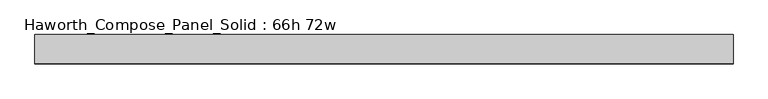
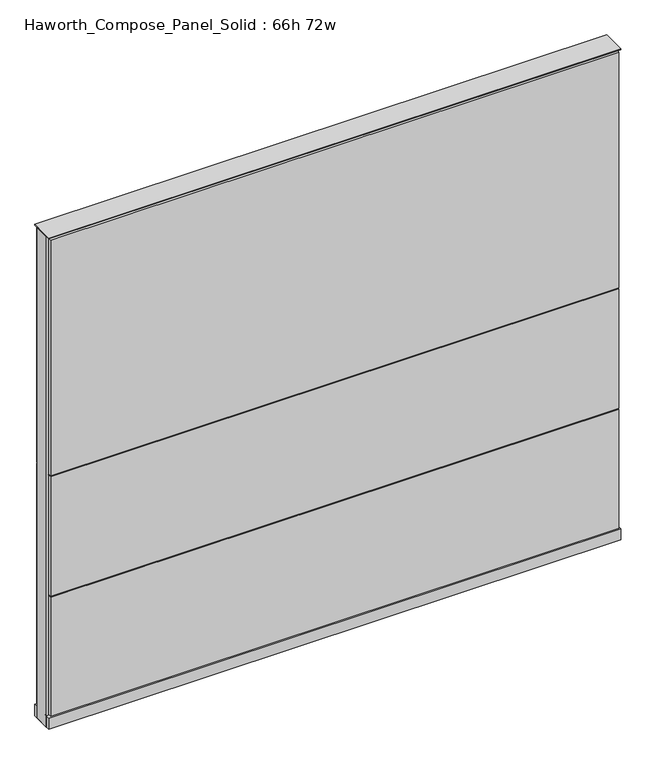
"""IFC4 building model written with IfcOpenShell, lengths in millimetres: furniture geometry, Haworth_Compose_Panel_Solid : 66h 72w."""

import ifcopenshell
import ifcopenshell.guid

model = None  # the IFC model being written
_history = None  # IfcOwnerHistory: only IFC2X3 demands one
_inside = {}  # id of a spatial element -> (the spatial element, [elements in it])
_under = {}  # id of a project, library or spatial element -> (it, [spatial elements below it])
_declared = {}  # id of a project -> (the project, [libraries it declares])
_typed = {}  # id of a type object -> (the type object, [elements of that type])
_made_of = {}  # id of a material, layer set ... -> (it, [elements and type objects made of it])


def new_model(schema):
    """Start an empty IFC model of exactly this schema.

    Asked for "IFC4X3", IfcOpenShell would pick the latest addendum, in which some entities
    have other attributes; the version numbers below select the first issue.
    IFC2X3 requires an IfcOwnerHistory on every rooted entity: one is made here for all.
    """
    global model, _history
    if schema == "IFC4X3":
        model = ifcopenshell.file(schema_version=(4, 3, 0, 0))
    else:
        model = ifcopenshell.file(schema=schema)
    _inside.clear()
    _under.clear()
    _declared.clear()
    _typed.clear()
    _made_of.clear()
    _history = None
    if model.schema == "IFC2X3":
        org = make("IfcOrganization", Name="unknown")
        user = make(
            "IfcPersonAndOrganization",
            ThePerson=make("IfcPerson", FamilyName="unknown"),
            TheOrganization=org,
        )
        app = make(
            "IfcApplication",
            ApplicationDeveloper=org,
            Version="unknown",
            ApplicationFullName="unknown",
            ApplicationIdentifier="unknown",
        )
        _history = make(
            "IfcOwnerHistory",
            OwningUser=user,
            OwningApplication=app,
            ChangeAction="ADDED",
            CreationDate=0,
        )
    return model


def make(cls, **values):
    """One entity of the class cls with the attributes given. An attribute that is None is left unset."""
    return model.create_entity(
        cls, **{name: value for name, value in values.items() if value is not None}
    )


def rooted(cls, **values):
    """An entity with a GlobalId (a new one), such as an element, a storey or a relation."""
    return make(cls, GlobalId=ifcopenshell.guid.new(), OwnerHistory=_history, **values)


def si_unit(unit_type, name, prefix=None):
    """IfcSIUnit, for example si_unit("LENGTHUNIT", "METRE", prefix="MILLI")."""
    return make("IfcSIUnit", UnitType=unit_type, Prefix=prefix, Name=name)


def assignment(units):
    """IfcUnitAssignment: the units of a project."""
    return None if units is None else make("IfcUnitAssignment", Units=units)


def point(xyz):
    """IfcCartesianPoint."""
    return None if xyz is None else make("IfcCartesianPoint", Coordinates=xyz)


def direction(xyz):
    """IfcDirection."""
    return None if xyz is None else make("IfcDirection", DirectionRatios=xyz)


def frame(location, z_axis=None, x_axis=None):
    """IfcAxis2Placement3D, a coordinate frame: its origin and axes. An axis left out is left unset."""
    return make(
        "IfcAxis2Placement3D",
        Location=point(location),
        Axis=direction(z_axis),
        RefDirection=direction(x_axis),
    )


def frame_2d(location, x_axis=None):
    """IfcAxis2Placement2D, a coordinate frame in the plane: its origin and x axis."""
    return make(
        "IfcAxis2Placement2D", Location=point(location), RefDirection=direction(x_axis)
    )


def origin():
    """The frame at (0, 0, 0) with its axes left unset."""
    return frame((0.0, 0.0, 0.0))


def origin_with_axes():
    """The frame at (0, 0, 0) with the z axis (0, 0, 1) and the x axis (1, 0, 0) written out."""
    return frame((0.0, 0.0, 0.0), z_axis=(0.0, 0.0, 1.0), x_axis=(1.0, 0.0, 0.0))


def place(relative_to, where):
    """IfcLocalPlacement: puts the frame where relative to a parent placement (None: the world)."""
    return make(
        "IfcLocalPlacement", PlacementRelTo=relative_to, RelativePlacement=where
    )


def context(
    kind, dimensions, precision=None, world=None, true_north=None, identifier=None
):
    """IfcGeometricRepresentationContext, for example the 3D "Model" context."""
    return make(
        "IfcGeometricRepresentationContext",
        ContextIdentifier=identifier,
        ContextType=kind,
        CoordinateSpaceDimension=dimensions,
        Precision=precision,
        WorldCoordinateSystem=world,
        TrueNorth=true_north,
    )


def project(units=None, contexts=None):
    """IfcProject with its units and contexts."""
    return rooted(
        "IfcProject",
        Name="project",
        RepresentationContexts=contexts,
        UnitsInContext=assignment(units),
    )


def spatial(cls, under=None, at=None, **own):
    """A site, building, storey or space (cls), placed at a placement, below another one or the project."""
    s = rooted(cls, ObjectPlacement=at, **own)
    if under is not None:
        _under.setdefault(under.id(), (under, []))[1].append(s)
    return s


def polyline(points):
    """IfcPolyline through the points."""
    return make("IfcPolyline", Points=[point(p) for p in points])


def circle_curve(where, radius):
    """IfcCircle in the frame where."""
    return make("IfcCircle", Position=where, Radius=radius)


def trimmed(basis, trim1, trim2, sense, master):
    """IfcTrimmedCurve: the piece of a basis curve between two trims."""
    return make(
        "IfcTrimmedCurve",
        BasisCurve=basis,
        Trim1=trim1,
        Trim2=trim2,
        SenseAgreement=sense,
        MasterRepresentation=master,
    )


def segment(curve, same_sense, transition):
    """IfcCompositeCurveSegment."""
    return make(
        "IfcCompositeCurveSegment",
        Transition=transition,
        SameSense=same_sense,
        ParentCurve=curve,
    )


def composite_curve(segments, self_intersect=None):
    """IfcCompositeCurve: segments joined end to end."""
    return make("IfcCompositeCurve", Segments=segments, SelfIntersect=self_intersect)


def outline(outer, holes=None, kind="AREA"):
    """IfcArbitraryClosedProfileDef: a profile drawn as a closed curve; with holes, ...WithVoids."""
    if holes is None:
        return make("IfcArbitraryClosedProfileDef", ProfileType=kind, OuterCurve=outer)
    return make(
        "IfcArbitraryProfileDefWithVoids",
        ProfileType=kind,
        OuterCurve=outer,
        InnerCurves=holes,
    )


def extrude(swept, where, along, depth):
    """IfcExtrudedAreaSolid: the profile swept, set in the frame where, extruded along a direction by depth."""
    return make(
        "IfcExtrudedAreaSolid",
        SweptArea=swept,
        Position=where,
        ExtrudedDirection=direction(along),
        Depth=depth,
    )


def shape(context_of_items, identifier, shape_type, items):
    """IfcShapeRepresentation: the items that make up one representation, for example the "Body"."""
    return make(
        "IfcShapeRepresentation",
        ContextOfItems=context_of_items,
        RepresentationIdentifier=identifier,
        RepresentationType=shape_type,
        Items=items,
    )


def source(mapping_origin, context_of_items, identifier, shape_type, items):
    """IfcRepresentationMap: a shape defined once, which mapped items show again and again."""
    return make(
        "IfcRepresentationMap",
        MappingOrigin=mapping_origin,
        MappedRepresentation=shape(context_of_items, identifier, shape_type, items),
    )


def transform(
    local_origin,
    x_axis=None,
    y_axis=None,
    z_axis=None,
    scale=None,
    scale2=None,
    scale3=None,
    uniform=True,
):
    """IfcCartesianTransformationOperator3D, or its non-uniform kind. x_axis, y_axis, z_axis: its Axis1, 2, 3."""
    if uniform:
        return make(
            "IfcCartesianTransformationOperator3D",
            Axis1=direction(x_axis),
            Axis2=direction(y_axis),
            LocalOrigin=point(local_origin),
            Scale=scale,
            Axis3=direction(z_axis),
        )
    return make(
        "IfcCartesianTransformationOperator3DnonUniform",
        Axis1=direction(x_axis),
        Axis2=direction(y_axis),
        LocalOrigin=point(local_origin),
        Scale=scale,
        Axis3=direction(z_axis),
        Scale2=scale2,
        Scale3=scale3,
    )


def mapped(mapping_source, mapping_target):
    """IfcMappedItem: shows the shape of a source again, moved by a transform."""
    return make(
        "IfcMappedItem", MappingSource=mapping_source, MappingTarget=mapping_target
    )


def made_of(thing, what):
    """Note that an element or type object is made of a material, layer set ...; save() writes the relation."""
    if what is not None:
        _made_of.setdefault(what.id(), (what, []))[1].append(thing)
    return thing


def element(
    cls,
    number,
    at=None,
    inside=None,
    cuts=None,
    type_object=None,
    material=None,
    context=None,
    identifier="Body",
    shape_type=None,
    held_by="IfcProductDefinitionShape",
    body=None,
    shapes=None,
    **own,
):
    """One element of the class cls, such as IfcWall. Its Tag is "e" and its number.

    at: its placement. inside: the storey or other place that contains it. cuts: it is an
    opening in that element (IfcRelVoidsElement). A single representation is given by context,
    identifier, shape_type and body (its items); several are given by shapes. held_by: the class
    of the entity that holds the representations. save() writes the other relations.
    """
    e = rooted(cls, Tag="e%d" % number, ObjectPlacement=at, **own)
    if body is not None:
        shapes = [shape(context, identifier, shape_type, body)]
    if shapes is not None:
        e.Representation = make(held_by, Representations=shapes)
    if inside is not None:
        _inside.setdefault(inside.id(), (inside, []))[1].append(e)
    if cuts is not None:
        rooted(
            "IfcRelVoidsElement", RelatingBuildingElement=cuts, RelatedOpeningElement=e
        )
    if type_object is not None:
        _typed.setdefault(type_object.id(), (type_object, []))[1].append(e)
    return made_of(e, material)


def aggregate(whole, parts):
    """IfcRelAggregates: a whole, such as a stair, and the parts it consists of."""
    return rooted("IfcRelAggregates", RelatingObject=whole, RelatedObjects=parts)


def save(model, path):
    """Write the relations noted so far, then the file.

    IfcRelAggregates (storeys below a building ...), IfcRelContainedInSpatialStructure (elements
    in a storey), IfcRelDefinesByType, IfcRelAssociatesMaterial and IfcRelDeclares: one each for
    every whole, place, type object, material and project.
    """
    for whole, parts in _under.values():
        aggregate(whole, parts)
    for where, things in _inside.values():
        rooted(
            "IfcRelContainedInSpatialStructure",
            RelatedElements=things,
            RelatingStructure=where,
        )
    for kind, things in _typed.values():
        rooted("IfcRelDefinesByType", RelatedObjects=things, RelatingType=kind)
    for what, things in _made_of.values():
        rooted("IfcRelAssociatesMaterial", RelatedObjects=things, RelatingMaterial=what)
    for by, libraries in _declared.values():
        rooted("IfcRelDeclares", RelatingContext=by, RelatedDefinitions=libraries)
    model.write(path)


def haworth_compose_panel_solid_66h_72w_11839dd6(model_context):
    return source(origin(), model_context, "Body", "SweptSolid", [
        extrude(outline(composite_curve([segment(trimmed(circle_curve(frame_2d((-835.7597098, 0.0)), 12.7), [point((-848.4597098, 0.0))], [point((-823.0597098, 0.0))], False, "CARTESIAN"), True, "CONTINUOUS"), segment(trimmed(circle_curve(frame_2d((-835.7597098, 0.0)), 12.7), [point((-823.0597098, 0.0))], [point((-848.4597098, 0.0))], False, "CARTESIAN"), True, "CONTINUOUS")], self_intersect=False)), origin_with_axes(), (0.0, 0.0, 1.0), 12.7),
        extrude(outline(composite_curve([segment(trimmed(circle_curve(frame_2d((840.6402902, 0.0)), 12.7), [point((827.9402902, 0.0))], [point((853.3402902, 0.0))], False, "CARTESIAN"), True, "CONTINUOUS"), segment(trimmed(circle_curve(frame_2d((840.6402902, 0.0)), 12.7), [point((853.3402902, 0.0))], [point((827.9402902, 0.0))], False, "CARTESIAN"), True, "CONTINUOUS")], self_intersect=False)), origin_with_axes(), (0.0, 0.0, 1.0), 12.7),
        extrude(outline(polyline([(910.4902902, 38.1), (910.4902902, 25.4), (-905.6097098, 25.4), (-905.6097098, 38.1), (910.4902902, 38.1)])), frame((0.0, 0.0, 866.775), z_axis=(0.0, 0.0, 1.0), x_axis=(1.0, 0.0, 0.0)), (0.0, 0.0, 1.0), 796.925),
        extrude(outline(polyline([(910.4902902, 38.1), (910.4902902, 25.4), (-905.6097098, 25.4), (-905.6097098, 38.1), (910.4902902, 38.1)])), frame((0.0, 0.0, 460.375), z_axis=(0.0, 0.0, 1.0), x_axis=(1.0, 0.0, 0.0)), (0.0, 0.0, 1.0), 403.225),
        extrude(outline(polyline([(910.4902902, 38.1), (910.4902902, 25.4), (-905.6097098, 25.4), (-905.6097098, 38.1), (910.4902902, 38.1)])), frame((0.0, 0.0, 53.975), z_axis=(0.0, 0.0, 1.0), x_axis=(1.0, 0.0, 0.0)), (0.0, 0.0, 1.0), 403.225),
        extrude(outline(polyline([(910.4902902, -38.1), (-905.6097098, -38.1), (-905.6097098, -25.4), (910.4902902, -25.4), (910.4902902, -38.1)])), frame((0.0, 0.0, 866.775), z_axis=(0.0, 0.0, 1.0), x_axis=(1.0, 0.0, 0.0)), (0.0, 0.0, 1.0), 796.925),
        extrude(outline(polyline([(910.4902902, -38.1), (-905.6097098, -38.1), (-905.6097098, -25.4), (910.4902902, -25.4), (910.4902902, -38.1)])), frame((0.0, 0.0, 460.375), z_axis=(0.0, 0.0, 1.0), x_axis=(1.0, 0.0, 0.0)), (0.0, 0.0, 1.0), 403.225),
        extrude(outline(polyline([(910.4902902, -38.1), (-905.6097098, -38.1), (-905.6097098, -25.4), (910.4902902, -25.4), (910.4902902, -38.1)])), frame((0.0, 0.0, 53.975), z_axis=(0.0, 0.0, 1.0), x_axis=(1.0, 0.0, 0.0)), (0.0, 0.0, 1.0), 403.225),
        extrude(outline(polyline([(916.8402902, 25.4), (916.8402902, -25.4), (-911.9597098, -25.4), (-911.9597098, 25.4), (916.8402902, 25.4)])), frame((0.0, 0.0, 12.7), z_axis=(0.0, 0.0, 1.0), x_axis=(1.0, 0.0, 0.0)), (0.0, 0.0, 1.0), 1657.35),
        extrude(outline(polyline([(-911.9597098, -38.1), (-911.9597098, 38.1), (916.8402902, 38.1), (916.8402902, -38.1), (-911.9597098, -38.1)])), frame((0.0, 0.0, 12.7), z_axis=(0.0, 0.0, 1.0), x_axis=(1.0, 0.0, 0.0)), (0.0, 0.0, 1.0), 38.1),
        extrude(outline(polyline([(-911.9597098, -38.1), (-911.9597098, 38.1), (916.8402902, 38.1), (916.8402902, -38.1), (-911.9597098, -38.1)])), frame((0.0, 0.0, 1670.05), z_axis=(0.0, 0.0, 1.0), x_axis=(1.0, 0.0, 0.0)), (0.0, 0.0, 1.0), 3.175),
    ])


if __name__ == "__main__":
    model = new_model("IFC4")
    model_context = context("Model", 3, world=origin())
    ifc_project = project(units=[si_unit("LENGTHUNIT", "METRE", prefix="MILLI")], contexts=[model_context])
    site = spatial("IfcSite", under=ifc_project)
    building = spatial("IfcBuilding", under=site)
    placement = place(None, origin())
    haworth_compose_panel_solid_66h_72w_shape = haworth_compose_panel_solid_66h_72w_11839dd6(model_context)
    element("IfcFurniture", 1, ObjectType="Haworth_Compose_Panel_Solid : 66h 72w", at=placement, inside=building, context=model_context, shape_type="MappedRepresentation", body=[
        mapped(haworth_compose_panel_solid_66h_72w_shape, transform((0.0, 0.0, 0.0), x_axis=(1.0, 0.0, 0.0), y_axis=(0.0, 1.0, 0.0), z_axis=(0.0, 0.0, 1.0))),
    ])
    save(model, "model.ifc")
